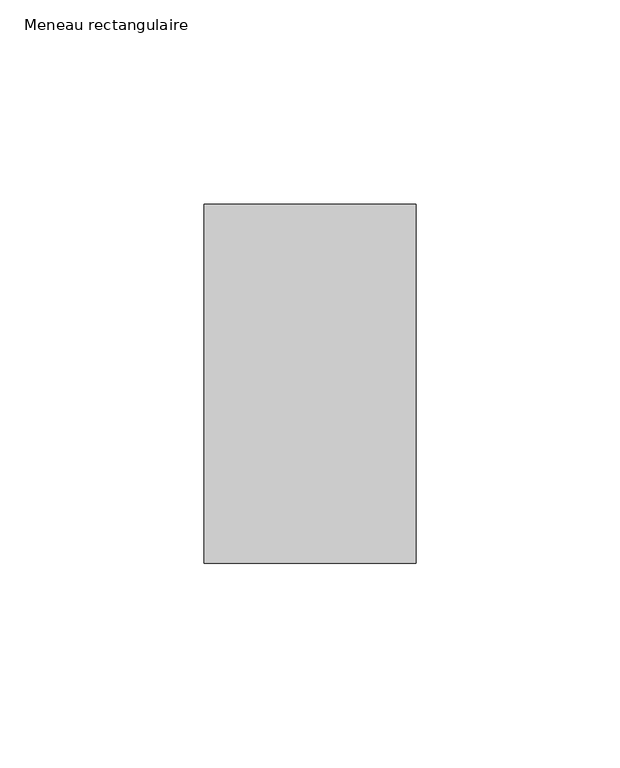
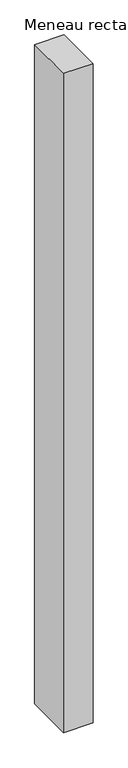
"""IFC4 building model written with IfcOpenShell, lengths in millimetres: member geometry, Meneau rectangulaire."""

import ifcopenshell
import ifcopenshell.guid

model = None  # the IFC model being written
_history = None  # IfcOwnerHistory: only IFC2X3 demands one
_inside = {}  # id of a spatial element -> (the spatial element, [elements in it])
_under = {}  # id of a project, library or spatial element -> (it, [spatial elements below it])
_declared = {}  # id of a project -> (the project, [libraries it declares])
_typed = {}  # id of a type object -> (the type object, [elements of that type])
_made_of = {}  # id of a material, layer set ... -> (it, [elements and type objects made of it])


def new_model(schema):
    """Start an empty IFC model of exactly this schema.

    Asked for "IFC4X3", IfcOpenShell would pick the latest addendum, in which some entities
    have other attributes; the version numbers below select the first issue.
    IFC2X3 requires an IfcOwnerHistory on every rooted entity: one is made here for all.
    """
    global model, _history
    if schema == "IFC4X3":
        model = ifcopenshell.file(schema_version=(4, 3, 0, 0))
    else:
        model = ifcopenshell.file(schema=schema)
    _inside.clear()
    _under.clear()
    _declared.clear()
    _typed.clear()
    _made_of.clear()
    _history = None
    if model.schema == "IFC2X3":
        org = make("IfcOrganization", Name="unknown")
        user = make(
            "IfcPersonAndOrganization",
            ThePerson=make("IfcPerson", FamilyName="unknown"),
            TheOrganization=org,
        )
        app = make(
            "IfcApplication",
            ApplicationDeveloper=org,
            Version="unknown",
            ApplicationFullName="unknown",
            ApplicationIdentifier="unknown",
        )
        _history = make(
            "IfcOwnerHistory",
            OwningUser=user,
            OwningApplication=app,
            ChangeAction="ADDED",
            CreationDate=0,
        )
    return model


def make(cls, **values):
    """One entity of the class cls with the attributes given. An attribute that is None is left unset."""
    return model.create_entity(
        cls, **{name: value for name, value in values.items() if value is not None}
    )


def rooted(cls, **values):
    """An entity with a GlobalId (a new one), such as an element, a storey or a relation."""
    return make(cls, GlobalId=ifcopenshell.guid.new(), OwnerHistory=_history, **values)


def si_unit(unit_type, name, prefix=None):
    """IfcSIUnit, for example si_unit("LENGTHUNIT", "METRE", prefix="MILLI")."""
    return make("IfcSIUnit", UnitType=unit_type, Prefix=prefix, Name=name)


def assignment(units):
    """IfcUnitAssignment: the units of a project."""
    return None if units is None else make("IfcUnitAssignment", Units=units)


def point(xyz):
    """IfcCartesianPoint."""
    return None if xyz is None else make("IfcCartesianPoint", Coordinates=xyz)


def direction(xyz):
    """IfcDirection."""
    return None if xyz is None else make("IfcDirection", DirectionRatios=xyz)


def frame(location, z_axis=None, x_axis=None):
    """IfcAxis2Placement3D, a coordinate frame: its origin and axes. An axis left out is left unset."""
    return make(
        "IfcAxis2Placement3D",
        Location=point(location),
        Axis=direction(z_axis),
        RefDirection=direction(x_axis),
    )


def origin():
    """The frame at (0, 0, 0) with its axes left unset."""
    return frame((0.0, 0.0, 0.0))


def place(relative_to, where):
    """IfcLocalPlacement: puts the frame where relative to a parent placement (None: the world)."""
    return make(
        "IfcLocalPlacement", PlacementRelTo=relative_to, RelativePlacement=where
    )


def context(
    kind, dimensions, precision=None, world=None, true_north=None, identifier=None
):
    """IfcGeometricRepresentationContext, for example the 3D "Model" context."""
    return make(
        "IfcGeometricRepresentationContext",
        ContextIdentifier=identifier,
        ContextType=kind,
        CoordinateSpaceDimension=dimensions,
        Precision=precision,
        WorldCoordinateSystem=world,
        TrueNorth=true_north,
    )


def project(units=None, contexts=None):
    """IfcProject with its units and contexts."""
    return rooted(
        "IfcProject",
        Name="project",
        RepresentationContexts=contexts,
        UnitsInContext=assignment(units),
    )


def spatial(cls, under=None, at=None, **own):
    """A site, building, storey or space (cls), placed at a placement, below another one or the project."""
    s = rooted(cls, ObjectPlacement=at, **own)
    if under is not None:
        _under.setdefault(under.id(), (under, []))[1].append(s)
    return s


def polyline(points):
    """IfcPolyline through the points."""
    return make("IfcPolyline", Points=[point(p) for p in points])


def outline(outer, holes=None, kind="AREA"):
    """IfcArbitraryClosedProfileDef: a profile drawn as a closed curve; with holes, ...WithVoids."""
    if holes is None:
        return make("IfcArbitraryClosedProfileDef", ProfileType=kind, OuterCurve=outer)
    return make(
        "IfcArbitraryProfileDefWithVoids",
        ProfileType=kind,
        OuterCurve=outer,
        InnerCurves=holes,
    )


def extrude(swept, where, along, depth):
    """IfcExtrudedAreaSolid: the profile swept, set in the frame where, extruded along a direction by depth."""
    return make(
        "IfcExtrudedAreaSolid",
        SweptArea=swept,
        Position=where,
        ExtrudedDirection=direction(along),
        Depth=depth,
    )


def shape(context_of_items, identifier, shape_type, items):
    """IfcShapeRepresentation: the items that make up one representation, for example the "Body"."""
    return make(
        "IfcShapeRepresentation",
        ContextOfItems=context_of_items,
        RepresentationIdentifier=identifier,
        RepresentationType=shape_type,
        Items=items,
    )


def source(mapping_origin, context_of_items, identifier, shape_type, items):
    """IfcRepresentationMap: a shape defined once, which mapped items show again and again."""
    return make(
        "IfcRepresentationMap",
        MappingOrigin=mapping_origin,
        MappedRepresentation=shape(context_of_items, identifier, shape_type, items),
    )


def transform(
    local_origin,
    x_axis=None,
    y_axis=None,
    z_axis=None,
    scale=None,
    scale2=None,
    scale3=None,
    uniform=True,
):
    """IfcCartesianTransformationOperator3D, or its non-uniform kind. x_axis, y_axis, z_axis: its Axis1, 2, 3."""
    if uniform:
        return make(
            "IfcCartesianTransformationOperator3D",
            Axis1=direction(x_axis),
            Axis2=direction(y_axis),
            LocalOrigin=point(local_origin),
            Scale=scale,
            Axis3=direction(z_axis),
        )
    return make(
        "IfcCartesianTransformationOperator3DnonUniform",
        Axis1=direction(x_axis),
        Axis2=direction(y_axis),
        LocalOrigin=point(local_origin),
        Scale=scale,
        Axis3=direction(z_axis),
        Scale2=scale2,
        Scale3=scale3,
    )


def mapped(mapping_source, mapping_target):
    """IfcMappedItem: shows the shape of a source again, moved by a transform."""
    return make(
        "IfcMappedItem", MappingSource=mapping_source, MappingTarget=mapping_target
    )


def made_of(thing, what):
    """Note that an element or type object is made of a material, layer set ...; save() writes the relation."""
    if what is not None:
        _made_of.setdefault(what.id(), (what, []))[1].append(thing)
    return thing


def element(
    cls,
    number,
    at=None,
    inside=None,
    cuts=None,
    type_object=None,
    material=None,
    context=None,
    identifier="Body",
    shape_type=None,
    held_by="IfcProductDefinitionShape",
    body=None,
    shapes=None,
    **own,
):
    """One element of the class cls, such as IfcWall. Its Tag is "e" and its number.

    at: its placement. inside: the storey or other place that contains it. cuts: it is an
    opening in that element (IfcRelVoidsElement). A single representation is given by context,
    identifier, shape_type and body (its items); several are given by shapes. held_by: the class
    of the entity that holds the representations. save() writes the other relations.
    """
    e = rooted(cls, Tag="e%d" % number, ObjectPlacement=at, **own)
    if body is not None:
        shapes = [shape(context, identifier, shape_type, body)]
    if shapes is not None:
        e.Representation = make(held_by, Representations=shapes)
    if inside is not None:
        _inside.setdefault(inside.id(), (inside, []))[1].append(e)
    if cuts is not None:
        rooted(
            "IfcRelVoidsElement", RelatingBuildingElement=cuts, RelatedOpeningElement=e
        )
    if type_object is not None:
        _typed.setdefault(type_object.id(), (type_object, []))[1].append(e)
    return made_of(e, material)


def aggregate(whole, parts):
    """IfcRelAggregates: a whole, such as a stair, and the parts it consists of."""
    return rooted("IfcRelAggregates", RelatingObject=whole, RelatedObjects=parts)


def save(model, path):
    """Write the relations noted so far, then the file.

    IfcRelAggregates (storeys below a building ...), IfcRelContainedInSpatialStructure (elements
    in a storey), IfcRelDefinesByType, IfcRelAssociatesMaterial and IfcRelDeclares: one each for
    every whole, place, type object, material and project.
    """
    for whole, parts in _under.values():
        aggregate(whole, parts)
    for where, things in _inside.values():
        rooted(
            "IfcRelContainedInSpatialStructure",
            RelatedElements=things,
            RelatingStructure=where,
        )
    for kind, things in _typed.values():
        rooted("IfcRelDefinesByType", RelatedObjects=things, RelatingType=kind)
    for what, things in _made_of.values():
        rooted("IfcRelAssociatesMaterial", RelatedObjects=things, RelatingMaterial=what)
    for by, libraries in _declared.values():
        rooted("IfcRelDeclares", RelatingContext=by, RelatedDefinitions=libraries)
    model.write(path)


def meneau_rectangulaire_bb866fe7(model_context):
    return source(origin(), model_context, "Body", "SweptSolid", [
        extrude(outline(polyline([(-52.0, 44.0), (0.0, 44.0), (0.0, -44.0), (-52.0, -44.0), (-52.0, 44.0)])), frame((0.0, 0.0, -1227.2500002), z_axis=(0.0, 0.0, 1.0), x_axis=(1.0, 0.0, 0.0)), (0.0, 0.0, 1.0), 1227.2500002),
    ])


if __name__ == "__main__":
    model = new_model("IFC4")
    model_context = context("Model", 3, world=origin())
    ifc_project = project(units=[si_unit("LENGTHUNIT", "METRE", prefix="MILLI")], contexts=[model_context])
    site = spatial("IfcSite", under=ifc_project)
    building = spatial("IfcBuilding", under=site)
    placement = place(None, origin())
    meneau_rectangulaire_shape = meneau_rectangulaire_bb866fe7(model_context)
    element("IfcMember", 1, ObjectType="Meneau rectangulaire", at=placement, inside=building, context=model_context, shape_type="MappedRepresentation", body=[
        mapped(meneau_rectangulaire_shape, transform((0.0, 0.0, 0.0), x_axis=(1.0, 0.0, 0.0), y_axis=(0.0, 1.0, 0.0), z_axis=(0.0, 0.0, 1.0))),
    ])
    save(model, "model.ifc")
